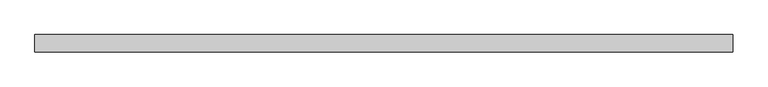
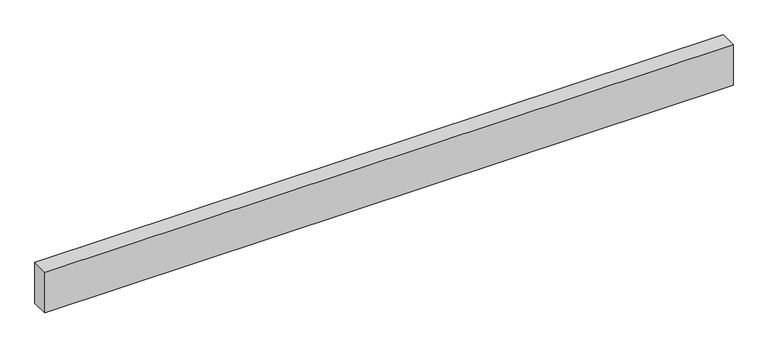
"""IFC4 building model written with IfcOpenShell, lengths in millimetres: proxy geometry."""

from ifc_helpers import new_model, si_unit, origin, origin_with_axes, place, context, project, spatial, polyline, outline, extrude, source, transform, mapped, element, save


def generic_models_dc58c40a(model_context):
    return source(origin(), model_context, "Body", "SweptSolid", [
        extrude(outline(polyline([(8000.0, 200.0), (8000.0, 0.0), (0.0, 0.0), (0.0, 200.0), (8000.0, 200.0)])), origin_with_axes(), (0.0, 0.0, 1.0), 500.0),
    ])


if __name__ == "__main__":
    model = new_model("IFC4")
    model_context = context("Model", 3, world=origin())
    ifc_project = project(units=[si_unit("LENGTHUNIT", "METRE", prefix="MILLI")], contexts=[model_context])
    site = spatial("IfcSite", under=ifc_project)
    building = spatial("IfcBuilding", under=site)
    placement = place(None, origin())
    generic_models_shape = generic_models_dc58c40a(model_context)
    element("IfcBuildingElementProxy", 1, Name="Generic Models", at=placement, inside=building, context=model_context, shape_type="MappedRepresentation", body=[
        mapped(generic_models_shape, transform((0.0, 0.0, 0.0), x_axis=(1.0, 0.0, 0.0), y_axis=(0.0, 1.0, 0.0), z_axis=(0.0, 0.0, 1.0))),
    ])
    save(model, "model.ifc")
